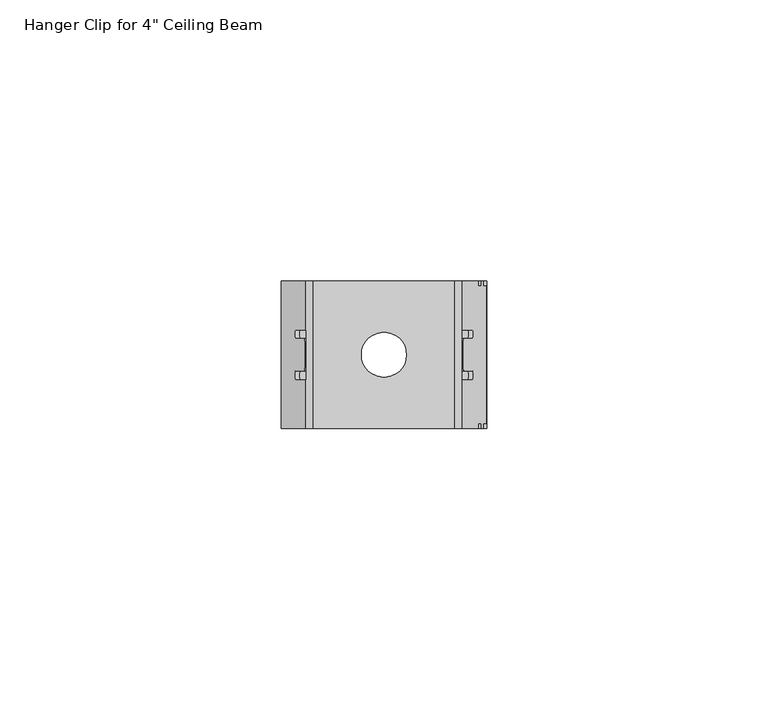
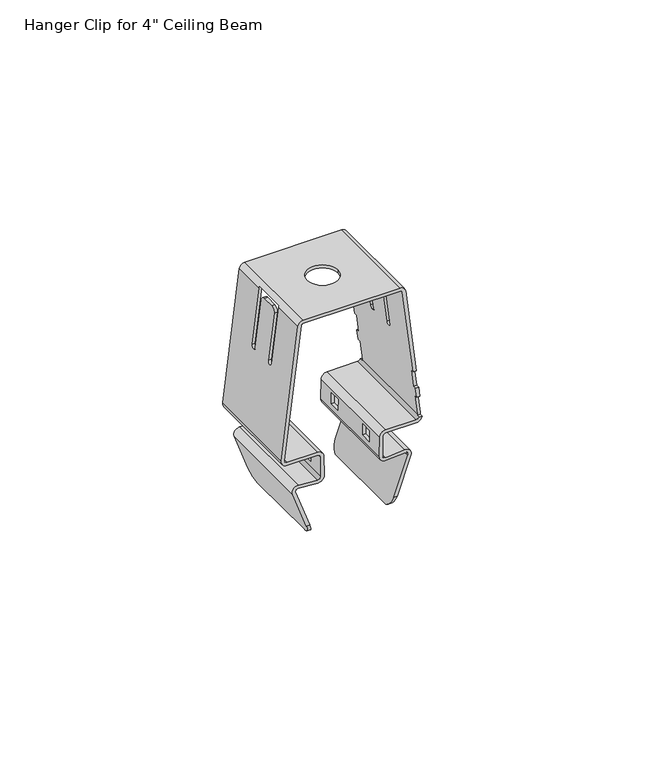
"""IFC4 building model written with IfcOpenShell, lengths in millimetres: proxy geometry."""

from ifc_helpers import new_model, si_unit, frame, origin, place, context, project, spatial, polyline, circle_curve, ellipse_curve, source, transform, mapped, element, save
from ifc_brep_helpers import plane_surface, cylinder_surface, revolved_surface, advanced_brep


def proxy_e91fa21d(model_context):
    return source(origin(), model_context, "Body", "AdvancedBrep", [
        advanced_brep(
        [(28.4451199, -13.145, 91.8422702), (26.9049962, -13.145, 93.883675), (21.8938975, -13.145, 93.5275562), (21.0779975, -13.145, 94.300938), (21.1703061, -13.145, 99.5892987), (21.9321901, -13.145, 100.338), (29.8768681, -13.145, 100.338), (31.3781782, -13.145, 101.6), (30.5410608, -13.145, 101.6), (29.8768681, -13.145, 101.148), (21.9321901, -13.145, 101.148), (20.3604295, -13.145, 99.6034352), (20.2681208, -13.145, 94.3150744), (21.9513162, -13.145, 92.7195939), (26.9624149, -13.145, 93.0757127), (27.6839689, -13.145, 92.1193065), (23.9835423, -13.145, 81.952468), (24.8455263, -13.145, 81.952468), (27.044677, -13.145, 137.4335409), (25.6580901, -13.145, 138.6602895), (0.5419099, -13.145, 138.6602895), (-0.844677, -13.145, 137.4335409), (-5.1895084, -13.145, 102.0477289), (-3.6768681, -13.145, 100.338), (4.2678099, -13.145, 100.338), (5.0296939, -13.145, 99.5892987), (5.1220025, -13.145, 94.300938), (4.3061025, -13.145, 93.5275562), (-0.7049962, -13.145, 93.883675), (-2.2451199, -13.145, 91.8422702), (1.3544737, -13.145, 81.952468), (2.2164577, -13.145, 81.952468), (-1.4839689, -13.145, 92.1193065), (-0.7624149, -13.145, 93.0757127), (4.2486838, -13.145, 92.7195939), (5.9318792, -13.145, 94.3150744), (5.8395705, -13.145, 99.6034352), (4.2678099, -13.145, 101.148), (-3.6768681, -13.145, 101.148), (-4.3855461, -13.145, 101.9490147), (-0.0407147, -13.145, 137.3348268), (0.5419099, -13.145, 137.8502895), (25.6580901, -13.145, 137.8502895), (26.2407147, -13.145, 137.3348268), (29.0322004, -13.145, 114.6), (29.8482833, -13.145, 114.6), (30.7522127, -13.145, 107.2380864), (30.4299883, -13.145, 109.8623931), (29.6139054, -13.145, 109.8623931), (29.9361297, -13.145, 107.2380864), (27.6839689, 13.145, 92.1193065), (26.9624149, 13.145, 93.0757127), (21.9513162, 13.145, 92.7195939), (20.2681208, 13.145, 94.3150744), (20.3604295, 13.145, 99.6034352), (21.9321901, 13.145, 101.148), (29.8768681, 13.145, 101.148), (30.5410608, 13.145, 101.6), (31.3781782, 13.145, 101.6), (29.8768681, 13.145, 100.338), (21.9321901, 13.145, 100.338), (21.1703061, 13.145, 99.5892987), (21.0779975, 13.145, 94.300938), (21.8938975, 13.145, 93.5275562), (26.9049962, 13.145, 93.883675), (28.4451199, 13.145, 91.8422702), (24.8455263, 13.145, 81.952468), (23.9835423, 13.145, 81.952468), (26.2407147, 13.145, 137.3348268), (25.6580901, 13.145, 137.8502895), (0.5419099, 13.145, 137.8502895), (-0.0407147, 13.145, 137.3348268), (-4.3855461, 13.145, 101.9490147), (-3.6768681, 13.145, 101.148), (4.2678099, 13.145, 101.148), (5.8395705, 13.145, 99.6034352), (5.9318792, 13.145, 94.3150744), (4.2486838, 13.145, 92.7195939), (-0.7624149, 13.145, 93.0757127), (-1.4839689, 13.145, 92.1193065), (2.2164577, 13.145, 81.952468), (1.3544737, 13.145, 81.952468), (-2.2451199, 13.145, 91.8422702), (-0.7049962, 13.145, 93.883675), (4.3061025, 13.145, 93.5275562), (5.1220025, 13.145, 94.300938), (5.0296939, 13.145, 99.5892987), (4.2678099, 13.145, 100.338), (-3.6768681, 13.145, 100.338), (-5.1895084, 13.145, 102.0477289), (-0.844677, 13.145, 137.4335409), (0.5419099, 13.145, 138.6602895), (25.6580901, 13.145, 138.6602895), (27.044677, 13.145, 137.4335409), (29.8482833, 13.145, 114.6), (29.0322004, 13.145, 114.6), (29.9361297, 13.145, 107.2380864), (29.6139054, 13.145, 109.8623931), (30.4299883, 13.145, 109.8623931), (30.7522127, 13.145, 107.2380864), (21.1021925, 5.5649765, 95.6870692), (21.1545577, 5.5649765, 98.6870692), (21.1545577, 8.5649765, 98.6870692), (21.1021925, 8.5649765, 95.6870692), (21.1545577, -8.5649765, 98.6870692), (21.1545577, -5.5649765, 98.6870692), (21.1021925, -5.5649765, 95.6870692), (21.1021925, -8.5649765, 95.6870692), (31.3781782, 12.245, 101.6), (31.3895084, 12.245, 102.0477289), (31.3895084, -12.245, 102.0477289), (31.3781782, -12.245, 101.6), (27.044677, 4.445, 137.4335409), (28.8693791, 4.445, 122.5725352), (28.8693791, 2.921, 122.5725352), (27.3478871, 2.921, 134.9640928), (27.1987644, 1.651, 136.1785999), (27.1987644, -1.651, 136.1785999), (27.3478871, -2.921, 134.9640928), (28.8683122, -2.921, 122.5812245), (28.8693791, -4.445, 122.5725352), (27.044677, -4.445, 137.4335409), (29.8482833, -12.245, 114.6), (30.4299883, -12.245, 109.8623931), (30.7522127, -12.245, 107.2380864), (30.7522127, 12.245, 107.2380864), (30.4299883, 12.245, 109.8623931), (29.8482833, 12.245, 114.6), (26.9257809, -4.445, 137.8502895), (26.9257809, 4.445, 137.8502895), (9.1, 0.0, 138.6602895), (17.1, 0.0, 138.6602895), (-0.844677, 4.445, 137.4335409), (-0.7257809, 4.445, 137.8502895), (-0.7257809, -4.445, 137.8502895), (-0.844677, -4.445, 137.4335409), (-2.6693791, -4.445, 122.5725352), (-2.6683122, -2.921, 122.5812245), (-1.1478871, -2.921, 134.9640928), (-0.9987644, -1.651, 136.1785999), (-0.9987644, 1.651, 136.1785999), (-1.1478871, 2.921, 134.9640928), (-2.6693791, 2.921, 122.5725352), (-2.6693791, 4.445, 122.5725352), (5.0454423, 5.5649765, 98.6870692), (5.0978075, 5.5649765, 95.6870692), (5.0978075, 8.5649765, 95.6870692), (5.0454423, 8.5649765, 98.6870692), (5.0454423, -5.5649765, 98.6870692), (5.0454423, -8.5649765, 98.6870692), (5.0978075, -8.5649765, 95.6870692), (5.0978075, -5.5649765, 95.6870692), (2.4466015, 10.1552022, 78.9518714), (2.4466015, -10.1552022, 78.9518714), (3.2077526, 11.3428624, 79.2289077), (3.2077526, -11.3428624, 79.2289077), (5.9079309, 5.5649765, 95.6870692), (5.8555657, 5.5649765, 98.6870692), (5.8555657, 8.5649765, 98.6870692), (5.9079309, 8.5649765, 95.6870692), (5.8555657, -8.5649765, 98.6870692), (5.8555657, -5.5649765, 98.6870692), (5.9079309, -5.5649765, 95.6870692), (5.9079309, -8.5649765, 95.6870692), (-0.0407147, 4.445, 137.3348268), (-1.8532962, 4.445, 122.5725352), (-1.8532962, 2.921, 122.5725352), (-0.3318042, 2.921, 134.9640928), (-0.1826815, 1.651, 136.1785999), (-0.1826815, -1.651, 136.1785999), (-0.3318042, -2.921, 134.9640928), (-1.8522292, -2.921, 122.5812245), (-1.8532962, -4.445, 122.5725352), (-0.0407147, -4.445, 137.3348268), (0.5419099, -4.445, 137.8502895), (0.5419099, 4.445, 137.8502895), (25.6580901, 4.445, 137.8502895), (25.6580901, -4.445, 137.8502895), (17.1, 0.0, 137.8502895), (9.1, 0.0, 137.8502895), (26.2407147, -4.445, 137.3348268), (26.2407147, 4.445, 137.3348268), (29.0322004, 12.245, 114.6), (29.6139054, 12.245, 109.8623931), (29.9361297, 12.245, 107.2380864), (30.5855461, 12.245, 101.9490147), (30.5855461, -12.245, 101.9490147), (29.9361297, -12.245, 107.2380864), (29.6139054, -12.245, 109.8623931), (29.0322004, -12.245, 114.6), (28.0532962, -4.445, 122.5725352), (28.0522292, -2.921, 122.5812245), (26.5318042, -2.921, 134.9640928), (26.3826815, -1.651, 136.1785999), (26.3826815, 1.651, 136.1785999), (26.5318042, 2.921, 134.9640928), (28.0532962, 2.921, 122.5725352), (28.0532962, 4.445, 122.5725352), (30.5410608, -12.245, 101.6), (30.5410608, 12.245, 101.6), (20.3444343, 5.5649765, 98.6870692), (20.2920691, 5.5649765, 95.6870692), (20.2920691, 8.5649765, 95.6870692), (20.3444343, 8.5649765, 98.6870692), (20.3444343, -5.5649765, 98.6870692), (20.3444343, -8.5649765, 98.6870692), (20.2920691, -8.5649765, 95.6870692), (20.2920691, -5.5649765, 95.6870692), (22.9922474, 11.3428624, 79.2289077), (22.9922474, -11.3428624, 79.2289077), (23.7533985, 10.1552022, 78.9518714), (23.7533985, -10.1552022, 78.9518714)],
        [
            (0, 1, circle_curve(frame((27.0130284, -13.145, 92.3635089), z_axis=(0.0, -1.0, 0.0), x_axis=(-1.0, 0.0, 0.0)), 1.524)),
            (1, 2),
            (2, 3, circle_curve(frame((21.8398814, -13.145, 94.2876392), z_axis=(0.0, 1.0, 0.0), x_axis=(-1.0, 0.0, 0.0)), 0.762)),
            (3, 4),
            (4, 5, circle_curve(frame((21.9321901, -13.145, 99.576), z_axis=(0.0, 1.0, 0.0), x_axis=(-1.0, 0.0, 0.0)), 0.762)),
            (5, 6),
            (6, 7, circle_curve(frame((29.8768681, -13.145, 101.862), z_axis=(0.0, -1.0, 0.0), x_axis=(-1.0, 0.0, 0.0)), 1.524)),
            (7, 8),
            (8, 9, circle_curve(frame((29.8768681, -13.145, 101.862), z_axis=(0.0, 1.0, 0.0), x_axis=(-1.0, 0.0, 0.0)), 0.714)),
            (9, 10),
            (10, 11, circle_curve(frame((21.9321901, -13.145, 99.576), z_axis=(0.0, -1.0, 0.0), x_axis=(-1.0, 0.0, 0.0)), 1.572)),
            (11, 12),
            (12, 13, circle_curve(frame((21.8398814, -13.145, 94.2876392), z_axis=(0.0, -1.0, 0.0), x_axis=(-1.0, 0.0, 0.0)), 1.572)),
            (13, 14),
            (14, 15, circle_curve(frame((27.0130284, -13.145, 92.3635089), z_axis=(0.0, 1.0, 0.0), x_axis=(-1.0, 0.0, 0.0)), 0.714)),
            (15, 16),
            (16, 17),
            (17, 0),
            (18, 19, circle_curve(frame((25.6580901, -13.145, 137.2632895), z_axis=(0.0, -1.0, 0.0), x_axis=(-1.0, 0.0, 0.0)), 1.397)),
            (19, 20),
            (20, 21, circle_curve(frame((0.5419099, -13.145, 137.2632895), z_axis=(0.0, -1.0, 0.0), x_axis=(-1.0, 0.0, 0.0)), 1.397)),
            (21, 22),
            (22, 23, circle_curve(frame((-3.6768681, -13.145, 101.862), z_axis=(0.0, -1.0, 0.0), x_axis=(-1.0, 0.0, 0.0)), 1.524)),
            (23, 24),
            (24, 25, circle_curve(frame((4.2678099, -13.145, 99.576), z_axis=(0.0, 1.0, 0.0), x_axis=(-1.0, 0.0, 0.0)), 0.762)),
            (25, 26),
            (26, 27, circle_curve(frame((4.3601186, -13.145, 94.2876392), z_axis=(0.0, 1.0, 0.0), x_axis=(-1.0, 0.0, 0.0)), 0.762)),
            (27, 28),
            (28, 29, circle_curve(frame((-0.8130284, -13.145, 92.3635089), z_axis=(0.0, -1.0, 0.0), x_axis=(-1.0, 0.0, 0.0)), 1.524)),
            (29, 30),
            (30, 31),
            (31, 32),
            (32, 33, circle_curve(frame((-0.8130284, -13.145, 92.3635089), z_axis=(0.0, 1.0, 0.0), x_axis=(-1.0, 0.0, 0.0)), 0.714)),
            (33, 34),
            (34, 35, circle_curve(frame((4.3601186, -13.145, 94.2876392), z_axis=(0.0, -1.0, 0.0), x_axis=(-1.0, 0.0, 0.0)), 1.572)),
            (35, 36),
            (36, 37, circle_curve(frame((4.2678099, -13.145, 99.576), z_axis=(0.0, -1.0, 0.0), x_axis=(-1.0, 0.0, 0.0)), 1.572)),
            (37, 38),
            (38, 39, circle_curve(frame((-3.6768681, -13.145, 101.862), z_axis=(0.0, 1.0, 0.0), x_axis=(-1.0, 0.0, 0.0)), 0.714)),
            (39, 40),
            (40, 41, circle_curve(frame((0.5419099, -13.145, 137.2632895), z_axis=(0.0, 1.0, 0.0), x_axis=(-1.0, 0.0, 0.0)), 0.587)),
            (41, 42),
            (42, 43, circle_curve(frame((25.6580901, -13.145, 137.2632895), z_axis=(0.0, 1.0, 0.0), x_axis=(-1.0, 0.0, 0.0)), 0.587)),
            (43, 44),
            (44, 45),
            (45, 18),
            (46, 47),
            (47, 48),
            (48, 49),
            (49, 46),
            (50, 51, circle_curve(frame((27.0130284, 13.145, 92.3635089), z_axis=(0.0, -1.0, 0.0), x_axis=(-1.0, 0.0, 0.0)), 0.714)),
            (51, 52),
            (52, 53, circle_curve(frame((21.8398814, 13.145, 94.2876392), z_axis=(0.0, 1.0, 0.0), x_axis=(-1.0, 0.0, 0.0)), 1.572)),
            (53, 54),
            (54, 55, circle_curve(frame((21.9321901, 13.145, 99.576), z_axis=(0.0, 1.0, 0.0), x_axis=(-1.0, 0.0, 0.0)), 1.572)),
            (55, 56),
            (56, 57, circle_curve(frame((29.8768681, 13.145, 101.862), z_axis=(0.0, -1.0, 0.0), x_axis=(-1.0, 0.0, 0.0)), 0.714)),
            (57, 58),
            (58, 59, circle_curve(frame((29.8768681, 13.145, 101.862), z_axis=(0.0, 1.0, 0.0), x_axis=(-1.0, 0.0, 0.0)), 1.524)),
            (59, 60),
            (60, 61, circle_curve(frame((21.9321901, 13.145, 99.576), z_axis=(0.0, -1.0, 0.0), x_axis=(-1.0, 0.0, 0.0)), 0.762)),
            (61, 62),
            (62, 63, circle_curve(frame((21.8398814, 13.145, 94.2876392), z_axis=(0.0, -1.0, 0.0), x_axis=(-1.0, 0.0, 0.0)), 0.762)),
            (63, 64),
            (64, 65, circle_curve(frame((27.0130284, 13.145, 92.3635089), z_axis=(0.0, 1.0, 0.0), x_axis=(-1.0, 0.0, 0.0)), 1.524)),
            (65, 66),
            (66, 67),
            (67, 50),
            (68, 69, circle_curve(frame((25.6580901, 13.145, 137.2632895), z_axis=(0.0, -1.0, 0.0), x_axis=(-1.0, 0.0, 0.0)), 0.587)),
            (69, 70),
            (70, 71, circle_curve(frame((0.5419099, 13.145, 137.2632895), z_axis=(0.0, -1.0, 0.0), x_axis=(-1.0, 0.0, 0.0)), 0.587)),
            (71, 72),
            (72, 73, circle_curve(frame((-3.6768681, 13.145, 101.862), z_axis=(0.0, -1.0, 0.0), x_axis=(-1.0, 0.0, 0.0)), 0.714)),
            (73, 74),
            (74, 75, circle_curve(frame((4.2678099, 13.145, 99.576), z_axis=(0.0, 1.0, 0.0), x_axis=(-1.0, 0.0, 0.0)), 1.572)),
            (75, 76),
            (76, 77, circle_curve(frame((4.3601186, 13.145, 94.2876392), z_axis=(0.0, 1.0, 0.0), x_axis=(-1.0, 0.0, 0.0)), 1.572)),
            (77, 78),
            (78, 79, circle_curve(frame((-0.8130284, 13.145, 92.3635089), z_axis=(0.0, -1.0, 0.0), x_axis=(-1.0, 0.0, 0.0)), 0.714)),
            (79, 80),
            (80, 81),
            (81, 82),
            (82, 83, circle_curve(frame((-0.8130284, 13.145, 92.3635089), z_axis=(0.0, 1.0, 0.0), x_axis=(-1.0, 0.0, 0.0)), 1.524)),
            (83, 84),
            (84, 85, circle_curve(frame((4.3601186, 13.145, 94.2876392), z_axis=(0.0, -1.0, 0.0), x_axis=(-1.0, 0.0, 0.0)), 0.762)),
            (85, 86),
            (86, 87, circle_curve(frame((4.2678099, 13.145, 99.576), z_axis=(0.0, -1.0, 0.0), x_axis=(-1.0, 0.0, 0.0)), 0.762)),
            (87, 88),
            (88, 89, circle_curve(frame((-3.6768681, 13.145, 101.862), z_axis=(0.0, 1.0, 0.0), x_axis=(-1.0, 0.0, 0.0)), 1.524)),
            (89, 90),
            (90, 91, circle_curve(frame((0.5419099, 13.145, 137.2632895), z_axis=(0.0, 1.0, 0.0), x_axis=(-1.0, 0.0, 0.0)), 1.397)),
            (91, 92),
            (92, 93, circle_curve(frame((25.6580901, 13.145, 137.2632895), z_axis=(0.0, 1.0, 0.0), x_axis=(-1.0, 0.0, 0.0)), 1.397)),
            (93, 94),
            (94, 95),
            (95, 68),
            (96, 97),
            (97, 98),
            (98, 99),
            (99, 96),
            (0, 65),
            (64, 1),
            (63, 2),
            (62, 3),
            (61, 4),
            (100, 101),
            (101, 102),
            (102, 103),
            (103, 100),
            (104, 105),
            (105, 106),
            (106, 107),
            (107, 104),
            (60, 5),
            (59, 6),
            (58, 108),
            (108, 109, circle_curve(frame((29.8768681, 12.245, 101.862), z_axis=(0.0, -1.0, 0.0), x_axis=(-1.0, 0.0, 0.0)), 1.524)),
            (109, 110),
            (110, 111, circle_curve(frame((29.8768681, -12.245, 101.862), z_axis=(0.0, 1.0, 0.0), x_axis=(-1.0, 0.0, 0.0)), 1.524)),
            (111, 7),
            (93, 112),
            (112, 113),
            (113, 114, ellipse_curve(frame((28.8688456, 3.683, 122.5768799), z_axis=(-0.9925461516413255, 0.0, -0.1218693434051193), x_axis=(0.12186934340511875, 0.0, -0.9925461516413258)), 0.767735, 0.7620124)),
            (114, 115),
            (115, 116, ellipse_curve(frame((27.3513718, 1.6781403, 134.9357125), z_axis=(0.9925461516413255, 0.0, 0.1218693434051193), x_axis=(-0.12186934340511875, 0.0, 0.9925461516413258)), 1.2525198, 1.2431837)),
            (116, 117),
            (117, 118, ellipse_curve(frame((27.3513718, -1.6781403, 134.9357125), z_axis=(0.9925461516413255, 0.0, 0.1218693434051193), x_axis=(-0.12186934340511875, 0.0, 0.9925461516413258)), 1.2525198, 1.2431837)),
            (118, 119),
            (119, 120, ellipse_curve(frame((28.8688456, -3.683, 122.5768799), z_axis=(-0.9925461516413255, 0.0, -0.1218693434051193), x_axis=(0.12186934340511875, 0.0, -0.9925461516413258)), 0.767735, 0.7620124)),
            (120, 121),
            (121, 18),
            (45, 122),
            (122, 123),
            (123, 47),
            (46, 124),
            (124, 110),
            (109, 125),
            (125, 99),
            (98, 126),
            (126, 127),
            (127, 94),
            (121, 128, circle_curve(frame((25.6580901, -4.445, 137.2632895), z_axis=(0.0, -1.0, 0.0), x_axis=(-1.0, 0.0, 0.0)), 1.397)),
            (128, 129),
            (129, 112, circle_curve(frame((25.6580901, 4.445, 137.2632895), z_axis=(0.0, 1.0, 0.0), x_axis=(-1.0, 0.0, 0.0)), 1.397)),
            (92, 19),
            (91, 20),
            (130, 131, circle_curve(frame((13.1, 0.0, 138.6602895), z_axis=(0.0, 0.0, -1.0), x_axis=(1.0, 0.0, 0.0)), 4.0)),
            (131, 130, circle_curve(frame((13.1, 0.0, 138.6602895), z_axis=(0.0, 0.0, -1.0), x_axis=(1.0, 0.0, 0.0)), 4.0)),
            (90, 132),
            (132, 133, circle_curve(frame((0.5419099, 4.445, 137.2632895), z_axis=(0.0, 1.0, 0.0), x_axis=(-1.0, 0.0, 0.0)), 1.397)),
            (133, 134),
            (134, 135, circle_curve(frame((0.5419099, -4.445, 137.2632895), z_axis=(0.0, -1.0, 0.0), x_axis=(-1.0, 0.0, 0.0)), 1.397)),
            (135, 21),
            (135, 136),
            (136, 137, ellipse_curve(frame((-2.6688456, -3.683, 122.5768799), z_axis=(0.9925461516413226, 0.0, -0.12186934340514273), x_axis=(0.12186934340514266, 0.0, 0.9925461516413225)), 0.767735, 0.7620124)),
            (137, 138),
            (138, 139, ellipse_curve(frame((-1.1513718, -1.6781403, 134.9357125), z_axis=(-0.9925461516413226, 0.0, 0.12186934340514273), x_axis=(-0.12186934340514266, 0.0, -0.9925461516413225)), 1.2525198, 1.2431837)),
            (139, 140),
            (140, 141, ellipse_curve(frame((-1.1513718, 1.6781403, 134.9357125), z_axis=(-0.9925461516413226, 0.0, 0.12186934340514273), x_axis=(-0.12186934340514266, 0.0, -0.9925461516413225)), 1.2525198, 1.2431837)),
            (141, 142),
            (142, 143, ellipse_curve(frame((-2.6688456, 3.683, 122.5768799), z_axis=(0.9925461516413226, 0.0, -0.12186934340514273), x_axis=(0.12186934340514266, 0.0, 0.9925461516413225)), 0.767735, 0.7620124)),
            (143, 132),
            (89, 22),
            (88, 23),
            (87, 24),
            (86, 25),
            (85, 26),
            (144, 145),
            (145, 146),
            (146, 147),
            (147, 144),
            (148, 149),
            (149, 150),
            (150, 151),
            (151, 148),
            (84, 27),
            (83, 28),
            (82, 29),
            (81, 152, ellipse_curve(frame((1.3247236, 10.0623511, 82.0342056), z_axis=(-0.9396926207858912, 0.0, -0.3420201433257159), x_axis=(-0.3420201433257159, 0.0, 0.9396926207858911)), 3.2816394, 3.0837323)),
            (152, 153),
            (153, 30, ellipse_curve(frame((1.3247236, -10.0623511, 82.0342056), z_axis=(-0.9396926207858912, 0.0, -0.3420201433257159), x_axis=(-0.3420201433257159, 0.0, 0.9396926207858911)), 3.2816394, 3.0837323)),
            (152, 154, ellipse_curve(frame((10.915245, 10.0623511, 82.0342056), z_axis=(0.3420201433256964, 0.0, -0.9396926207858983), x_axis=(-0.9396926207858983, 0.0, -0.3420201433256964)), 9.0162302, 3.0837323)),
            (154, 155),
            (155, 153, ellipse_curve(frame((10.915245, -10.0623511, 82.0342056), z_axis=(0.3420201433256964, 0.0, -0.9396926207858983), x_axis=(-0.9396926207858983, 0.0, -0.3420201433256964)), 9.0162302, 3.0837323)),
            (79, 32),
            (31, 155, ellipse_curve(frame((2.1867076, -10.0623511, 82.0342056), z_axis=(0.9396926207858942, 0.0, 0.34202014332570757), x_axis=(-0.3420201433257077, 0.0, 0.9396926207858943)), 3.2816394, 3.0837323)),
            (154, 80, ellipse_curve(frame((2.1867076, 10.0623511, 82.0342056), z_axis=(0.9396926207858942, 0.0, 0.34202014332570757), x_axis=(-0.3420201433257077, 0.0, 0.9396926207858943)), 3.2816394, 3.0837323)),
            (78, 33),
            (77, 34),
            (76, 35),
            (75, 36),
            (156, 157),
            (157, 158),
            (158, 159),
            (159, 156),
            (160, 161),
            (161, 162),
            (162, 163),
            (163, 160),
            (74, 37),
            (73, 38),
            (72, 39),
            (71, 164),
            (164, 165),
            (165, 166, ellipse_curve(frame((-1.8527627, 3.683, 122.5768799), z_axis=(-0.9925461516413233, 0.0, 0.12186934340513758), x_axis=(0.12186934340513687, 0.0, 0.9925461516413233)), 0.767735, 0.7620124)),
            (166, 167),
            (167, 168, ellipse_curve(frame((-0.3352889, 1.6781403, 134.9357125), z_axis=(0.9925461516413233, 0.0, -0.12186934340513758), x_axis=(-0.12186934340513687, 0.0, -0.9925461516413233)), 1.2525198, 1.2431837)),
            (168, 169),
            (169, 170, ellipse_curve(frame((-0.3352889, -1.6781403, 134.9357125), z_axis=(0.9925461516413233, 0.0, -0.12186934340513758), x_axis=(-0.12186934340513687, 0.0, -0.9925461516413233)), 1.2525198, 1.2431837)),
            (170, 171),
            (171, 172, ellipse_curve(frame((-1.8527627, -3.683, 122.5768799), z_axis=(-0.9925461516413233, 0.0, 0.12186934340513758), x_axis=(0.12186934340513687, 0.0, 0.9925461516413233)), 0.767735, 0.7620124)),
            (172, 173),
            (173, 40),
            (173, 174, circle_curve(frame((0.5419099, -4.445, 137.2632895), z_axis=(0.0, 1.0, 0.0), x_axis=(-1.0, 0.0, 0.0)), 0.587)),
            (174, 41),
            (70, 175),
            (175, 164, circle_curve(frame((0.5419099, 4.445, 137.2632895), z_axis=(0.0, -1.0, 0.0), x_axis=(-1.0, 0.0, 0.0)), 0.587)),
            (174, 134),
            (133, 175),
            (69, 176),
            (176, 129),
            (128, 177),
            (177, 42),
            (178, 179, circle_curve(frame((13.1, 0.0, 137.8502895), z_axis=(0.0, 0.0, 1.0), x_axis=(1.0, 0.0, 0.0)), 4.0)),
            (179, 178, circle_curve(frame((13.1, 0.0, 137.8502895), z_axis=(0.0, 0.0, 1.0), x_axis=(1.0, 0.0, 0.0)), 4.0)),
            (177, 180, circle_curve(frame((25.6580901, -4.445, 137.2632895), z_axis=(0.0, 1.0, 0.0), x_axis=(-1.0, 0.0, 0.0)), 0.587)),
            (180, 43),
            (68, 181),
            (181, 176, circle_curve(frame((25.6580901, 4.445, 137.2632895), z_axis=(0.0, -1.0, 0.0), x_axis=(-1.0, 0.0, 0.0)), 0.587)),
            (95, 182),
            (182, 183),
            (183, 97),
            (96, 184),
            (184, 185),
            (185, 186),
            (186, 187),
            (187, 49),
            (48, 188),
            (188, 189),
            (189, 44),
            (180, 190),
            (190, 191, ellipse_curve(frame((28.0527627, -3.683, 122.5768799), z_axis=(0.9925461516413249, 0.0, 0.12186934340512441), x_axis=(0.12186934340512454, 0.0, -0.9925461516413248)), 0.767735, 0.7620124)),
            (191, 192),
            (192, 193, ellipse_curve(frame((26.5352889, -1.6781403, 134.9357125), z_axis=(-0.9925461516413249, 0.0, -0.12186934340512441), x_axis=(-0.12186934340512454, 0.0, 0.9925461516413248)), 1.2525198, 1.2431837)),
            (193, 194),
            (194, 195, ellipse_curve(frame((26.5352889, 1.6781403, 134.9357125), z_axis=(-0.9925461516413249, 0.0, -0.12186934340512441), x_axis=(-0.12186934340512454, 0.0, 0.9925461516413248)), 1.2525198, 1.2431837)),
            (195, 196),
            (196, 197, ellipse_curve(frame((28.0527627, 3.683, 122.5768799), z_axis=(0.9925461516413249, 0.0, 0.12186934340512441), x_axis=(0.12186934340512454, 0.0, -0.9925461516413248)), 0.767735, 0.7620124)),
            (197, 181),
            (56, 9),
            (8, 198),
            (198, 186, circle_curve(frame((29.8768681, -12.245, 101.862), z_axis=(0.0, -1.0, 0.0), x_axis=(-1.0, 0.0, 0.0)), 0.714)),
            (185, 199, circle_curve(frame((29.8768681, 12.245, 101.862), z_axis=(0.0, 1.0, 0.0), x_axis=(-1.0, 0.0, 0.0)), 0.714)),
            (199, 57),
            (55, 10),
            (54, 11),
            (53, 12),
            (200, 201),
            (201, 202),
            (202, 203),
            (203, 200),
            (204, 205),
            (205, 206),
            (206, 207),
            (207, 204),
            (52, 13),
            (51, 14),
            (50, 15),
            (67, 208, ellipse_curve(frame((24.0132924, 10.0623511, 82.0342056), z_axis=(-0.9396926207858846, 0.0, 0.34202014332573416), x_axis=(-0.3420201433257343, 0.0, -0.9396926207858846)), 3.2816394, 3.0837323)),
            (208, 209),
            (209, 16, ellipse_curve(frame((24.0132924, -10.0623511, 82.0342056), z_axis=(-0.9396926207858846, 0.0, 0.34202014332573416), x_axis=(-0.3420201433257343, 0.0, -0.9396926207858846)), 3.2816394, 3.0837323)),
            (208, 210, ellipse_curve(frame((15.284755, 10.0623511, 82.0342056), z_axis=(-0.3420201433257044, 0.0, -0.9396926207858954), x_axis=(-0.9396926207858953, 0.0, 0.3420201433257044)), 9.0162302, 3.0837323)),
            (210, 211),
            (211, 209, ellipse_curve(frame((15.284755, -10.0623511, 82.0342056), z_axis=(-0.3420201433257044, 0.0, -0.9396926207858954), x_axis=(-0.9396926207858953, 0.0, 0.3420201433257044)), 9.0162302, 3.0837323)),
            (17, 211, ellipse_curve(frame((24.8752764, -10.0623511, 82.0342056), z_axis=(0.9396926207858882, 0.0, -0.3420201433257242), x_axis=(-0.3420201433257241, 0.0, -0.9396926207858882)), 3.2816394, 3.0837323)),
            (210, 66, ellipse_curve(frame((24.8752764, 10.0623511, 82.0342056), z_axis=(0.9396926207858882, 0.0, -0.3420201433257242), x_axis=(-0.3420201433257241, 0.0, -0.9396926207858882)), 3.2816394, 3.0837323)),
            (143, 165),
            (197, 113),
            (172, 136),
            (120, 190),
            (119, 191),
            (171, 137),
            (170, 138),
            (118, 192),
            (169, 139),
            (117, 193),
            (168, 140),
            (116, 194),
            (167, 141),
            (115, 195),
            (166, 142),
            (114, 196),
            (130, 179),
            (178, 131),
            (144, 157),
            (156, 145),
            (200, 101),
            (100, 201),
            (159, 146),
            (103, 202),
            (158, 147),
            (102, 203),
            (148, 161),
            (160, 149),
            (204, 105),
            (104, 205),
            (163, 150),
            (107, 206),
            (162, 151),
            (106, 207),
            (182, 127),
            (126, 183),
            (199, 108),
            (125, 184),
            (189, 122),
            (111, 198),
            (124, 187),
            (123, 188),
        ],
        [
            plane_surface(frame((25.4890284, -13.145, 92.3635089), z_axis=(0.0, -1.0, 0.0), x_axis=(0.0, 0.0, -1.0))),
            plane_surface(frame((25.4890284, 13.145, 92.3635089), z_axis=(0.0, 1.0, 0.0), x_axis=(0.0, 0.0, 1.0))),
            cylinder_surface(frame((27.0130284, 13.145, 92.3635089), z_axis=(0.0, -1.0, 0.0), x_axis=(-1.0, 0.0, 0.0)), 1.524),
            plane_surface(frame((26.9049962, -13.145, 93.883675), z_axis=(-0.07088724967761863, 0.0, 0.9974843346304457), x_axis=(0.0, 1.0, 0.0))),
            revolved_surface(polyline([(21.0778814, 13.145, 94.2876392), (21.0778814, -13.145, 94.2876392)]), (21.8398814, 13.145, 94.2876392), (0.0, 1.0, 0.0)),
            plane_surface(frame((21.0779975, -13.145, 94.300938), z_axis=(0.9998476951563916, 0.0, -0.017452406437269783), x_axis=(0.0, 1.0, 0.0))),
            revolved_surface(polyline([(21.1701901, 13.145, 99.576), (21.1701901, -13.145, 99.576)]), (21.9321901, 13.145, 99.576), (0.0, 1.0, 0.0)),
            plane_surface(frame((21.9321901, -13.145, 100.338), z_axis=(0.0, 0.0, -1.0), x_axis=(0.0, 1.0, 0.0))),
            cylinder_surface(frame((29.8768681, 13.145, 101.862), z_axis=(0.0, -1.0, 0.0), x_axis=(-1.0, 0.0, 0.0)), 1.524),
            plane_surface(frame((31.3895084, -13.145, 102.0477289), z_axis=(0.9925461516413255, 0.0, 0.1218693434051193), x_axis=(0.0, 1.0, 0.0))),
            cylinder_surface(frame((25.6580901, 13.145, 137.2632895), z_axis=(0.0, -1.0, 0.0), x_axis=(-1.0, 0.0, 0.0)), 1.397),
            plane_surface(frame((25.6580901, -13.145, 138.6602895), z_axis=(0.0, 0.0, 1.0), x_axis=(0.0, 1.0, 0.0))),
            cylinder_surface(frame((0.5419099, 13.145, 137.2632895), z_axis=(0.0, -1.0, 0.0), x_axis=(-1.0, 0.0, 0.0)), 1.397),
            plane_surface(frame((-0.844677, -13.145, 137.4335409), z_axis=(-0.9925461516413226, 0.0, 0.12186934340514273), x_axis=(0.0, 1.0, 0.0))),
            cylinder_surface(frame((-3.6768681, 13.145, 101.862), z_axis=(0.0, -1.0, 0.0), x_axis=(-1.0, 0.0, 0.0)), 1.524),
            plane_surface(frame((-3.6768681, -13.145, 100.338), z_axis=(0.0, 0.0, -1.0), x_axis=(0.0, 1.0, 0.0))),
            revolved_surface(polyline([(3.5058098999999996, 13.145, 99.576), (3.5058098999999996, -13.145, 99.576)]), (4.2678099, 13.145, 99.576), (0.0, 1.0, 0.0)),
            plane_surface(frame((5.0296939, -13.145, 99.5892987), z_axis=(-0.9998476951563917, 0.0, -0.01745240643725819), x_axis=(0.0, 1.0, 0.0))),
            revolved_surface(polyline([(3.5981186, 13.145, 94.2876392), (3.5981186, -13.145, 94.2876392)]), (4.3601186, 13.145, 94.2876392), (0.0, 1.0, 0.0)),
            plane_surface(frame((4.3061025, -13.145, 93.5275562), z_axis=(0.07088724967754818, 0.0, 0.9974843346304507), x_axis=(0.0, 1.0, 0.0))),
            cylinder_surface(frame((-0.8130284, 13.145, 92.3635089), z_axis=(0.0, -1.0, 0.0), x_axis=(-1.0, 0.0, 0.0)), 1.524),
            plane_surface(frame((-2.2451199, -13.145, 91.8422702), z_axis=(-0.9396926207858912, 0.0, -0.3420201433257159), x_axis=(0.0, 1.0, 0.0))),
            plane_surface(frame((2.4466015, -13.145, 78.9518714), z_axis=(0.3420201433256964, 0.0, -0.9396926207858983), x_axis=(0.0, 1.0, 0.0))),
            plane_surface(frame((3.2077526, -13.145, 79.2289077), z_axis=(0.9396926207858942, 0.0, 0.34202014332570757), x_axis=(0.0, 1.0, 0.0))),
            revolved_surface(polyline([(-1.5270283999999998, 13.145, 92.3635089), (-1.5270283999999998, -13.145, 92.3635089)]), (-0.8130284, 13.145, 92.3635089), (0.0, 1.0, 0.0)),
            plane_surface(frame((-0.7624149, -13.145, 93.0757127), z_axis=(-0.07088724967764039, 0.0, -0.9974843346304442), x_axis=(0.0, 1.0, 0.0))),
            cylinder_surface(frame((4.3601186, 13.145, 94.2876392), z_axis=(0.0, -1.0, 0.0), x_axis=(-1.0, 0.0, 0.0)), 1.572),
            plane_surface(frame((5.9318792, -13.145, 94.3150744), z_axis=(0.9998476951563918, 0.0, 0.017452406437250167), x_axis=(0.0, 1.0, 0.0))),
            cylinder_surface(frame((4.2678099, 13.145, 99.576), z_axis=(0.0, -1.0, 0.0), x_axis=(-1.0, 0.0, 0.0)), 1.572),
            plane_surface(frame((4.2678099, -13.145, 101.148), z_axis=(0.0, 0.0, 1.0), x_axis=(0.0, 1.0, 0.0))),
            revolved_surface(polyline([(-4.3908681000000005, 13.145, 101.862), (-4.3908681000000005, -13.145, 101.862)]), (-3.6768681, 13.145, 101.862), (0.0, 1.0, 0.0)),
            plane_surface(frame((-4.3855461, -13.145, 101.9490147), z_axis=(0.9925461516413233, 0.0, -0.12186934340513758), x_axis=(0.0, 1.0, 0.0))),
            revolved_surface(polyline([(-0.04509009999999991, -4.445, 137.2632895), (-0.04509009999999991, -13.145, 137.2632895)]), (0.5419099, 13.145, 137.2632895), (0.0, 1.0, 0.0)),
            revolved_surface(polyline([(-0.04509009999999991, 13.145, 137.2632895), (-0.04509009999999991, 4.445, 137.2632895)]), (0.5419099, 13.145, 137.2632895), (0.0, 1.0, 0.0)),
            plane_surface(frame((0.5419099, -13.145, 137.8502895), z_axis=(0.0, 0.0, -1.0), x_axis=(0.0, 1.0, 0.0))),
            revolved_surface(polyline([(25.0710901, -4.445, 137.2632895), (25.0710901, -13.145, 137.2632895)]), (25.6580901, 13.145, 137.2632895), (0.0, 1.0, 0.0)),
            revolved_surface(polyline([(25.0710901, 13.145, 137.2632895), (25.0710901, 4.445, 137.2632895)]), (25.6580901, 13.145, 137.2632895), (0.0, 1.0, 0.0)),
            plane_surface(frame((26.2407147, -13.145, 137.3348268), z_axis=(-0.9925461516413249, 0.0, -0.12186934340512441), x_axis=(0.0, 1.0, 0.0))),
            revolved_surface(polyline([(29.1628681, 13.145, 101.862), (29.1628681, -13.145, 101.862)]), (29.8768681, 13.145, 101.862), (0.0, 1.0, 0.0)),
            plane_surface(frame((29.8768681, -13.145, 101.148), z_axis=(0.0, 0.0, 1.0), x_axis=(0.0, 1.0, 0.0))),
            cylinder_surface(frame((21.9321901, 13.145, 99.576), z_axis=(0.0, -1.0, 0.0), x_axis=(-1.0, 0.0, 0.0)), 1.572),
            plane_surface(frame((20.3604295, -13.145, 99.6034352), z_axis=(-0.9998476951563914, 0.0, 0.017452406437276982), x_axis=(0.0, 1.0, 0.0))),
            cylinder_surface(frame((21.8398814, 13.145, 94.2876392), z_axis=(0.0, -1.0, 0.0), x_axis=(-1.0, 0.0, 0.0)), 1.572),
            plane_surface(frame((21.9513162, -13.145, 92.7195939), z_axis=(0.07088724967752465, 0.0, -0.9974843346304525), x_axis=(0.0, 1.0, 0.0))),
            revolved_surface(polyline([(26.2990284, 13.145, 92.3635089), (26.2990284, -13.145, 92.3635089)]), (27.0130284, 13.145, 92.3635089), (0.0, 1.0, 0.0)),
            plane_surface(frame((27.6839689, -13.145, 92.1193065), z_axis=(-0.9396926207858846, 0.0, 0.34202014332573416), x_axis=(0.0, 1.0, 0.0))),
            plane_surface(frame((22.9922474, -13.145, 79.2289077), z_axis=(-0.3420201433257044, 0.0, -0.9396926207858954), x_axis=(0.0, 1.0, 0.0))),
            plane_surface(frame((23.7533985, -13.145, 78.9518714), z_axis=(0.9396926207858882, 0.0, -0.3420201433257242), x_axis=(0.0, 1.0, 0.0))),
            cylinder_surface(frame((-2.9, 10.0623511, 82.0342056), z_axis=(-1.0000000000000002, 0.0, 0.0), x_axis=(0.0, -0.030109977488840537, -0.9995465918383303)), 3.0837323),
            cylinder_surface(frame((13.1, -10.0623511, 82.0342056), z_axis=(-1.0, 0.0, 0.0), x_axis=(0.0, -0.9994865114664321, -0.03204236877419996)), 3.0837323),
            plane_surface(frame((29.1, 4.445, 122.5725352), z_axis=(0.0, -1.0, 0.0), x_axis=(-1.0, 0.0, 0.0))),
            plane_surface(frame((29.1, -4.445, 137.8502895), z_axis=(0.0, 1.0, 0.0), x_axis=(-1.0, 0.0, 0.0))),
            revolved_surface(polyline([(28.962408960359127, -2.9209999859225717, 122.58122458638216), (27.959199339640865, -2.9209999859225717, 122.58122458638216)]), (13.1, -3.683, 122.5768799), (1.0, 0.0, 0.0)),
            revolved_surface(polyline([(-1.7591993396408565, -2.9209999859225717, 122.58122458638216), (-2.7624089603591457, -2.9209999859225717, 122.58122458638216)]), (13.1, -3.683, 122.5768799), (1.0, 0.0, 0.0)),
            plane_surface(frame((29.1, -2.921, 122.5812245), z_axis=(0.0, -1.0, 0.0), x_axis=(-1.0, 0.0, 0.0))),
            cylinder_surface(frame((13.1, -1.6781403, 134.9357125), z_axis=(-1.0000000000000002, 0.0, 0.0), x_axis=(0.0, 0.02183127508327109, 0.9997616693133613)), 1.2431837),
            plane_surface(frame((29.1, -1.651, 136.1785999), z_axis=(0.0, 0.0, 1.0), x_axis=(-1.0, 0.0, 0.0))),
            cylinder_surface(frame((13.1, 1.6781403, 134.9357125), z_axis=(-1.0, 0.0, 0.0), x_axis=(0.0, 0.9997393893428933, 0.02282878438066445)), 1.2431837),
            plane_surface(frame((29.1, 2.921, 134.9640928), z_axis=(0.0, 1.0, 0.0), x_axis=(-1.0, 0.0, 0.0))),
            revolved_surface(polyline([(-1.7591993396408565, 4.4450000140774275, 122.57253521361781), (-2.7624089603591457, 4.4450000140774275, 122.57253521361781)]), (13.1, 3.683, 122.5768799), (1.0, 0.0, 0.0)),
            revolved_surface(polyline([(28.962408960359127, 4.4450000140774275, 122.57253521361781), (27.959199339640865, 4.4450000140774275, 122.57253521361781)]), (13.1, 3.683, 122.5768799), (1.0, 0.0, 0.0)),
            revolved_surface(polyline([(17.1, 0.0, 137.8502895), (17.1, 0.0, 138.6602895)]), (13.1, 0.0, 143.6602895), (0.0, 0.0, -1.0)),
            plane_surface(frame((22.1, 5.5649765, 98.6870692), z_axis=(0.0, 1.0, 0.0), x_axis=(-1.0, 0.0, 0.0))),
            plane_surface(frame((22.1, 5.5649765, 95.6870692), z_axis=(0.0, 0.0, 1.0), x_axis=(-1.0, 0.0, 0.0))),
            plane_surface(frame((22.1, 8.5649765, 95.6870692), z_axis=(0.0, -1.0, 0.0), x_axis=(-1.0, 0.0, 0.0))),
            plane_surface(frame((22.1, 8.5649765, 98.6870692), z_axis=(0.0, 0.0, -1.0), x_axis=(-1.0, 0.0, 0.0))),
            plane_surface(frame((22.1, -5.5649765, 98.6870692), z_axis=(0.0, 0.0, -1.0), x_axis=(-1.0, 0.0, 0.0))),
            plane_surface(frame((22.1, -8.5649765, 98.6870692), z_axis=(0.0, 1.0, 0.0), x_axis=(-1.0, 0.0, 0.0))),
            plane_surface(frame((22.1, -8.5649765, 95.6870692), z_axis=(0.0, 0.0, 1.0), x_axis=(-1.0, 0.0, 0.0))),
            plane_surface(frame((22.1, -5.5649765, 95.6870692), z_axis=(0.0, -1.0, 0.0), x_axis=(-1.0, 0.0, 0.0))),
            plane_surface(frame((32.1, 12.245, 114.6), z_axis=(0.0, 1.0, 0.0), x_axis=(-1.0, 0.0, 0.0))),
            plane_surface(frame((32.1, 12.245, 101.6), z_axis=(0.0, 0.0, 1.0), x_axis=(-1.0, 0.0, 0.0))),
            plane_surface(frame((32.1, 14.657876, 114.6), z_axis=(0.0, 0.0, -1.0), x_axis=(-1.0, 0.0, 0.0))),
            plane_surface(frame((32.1, 12.245, 109.8623931), z_axis=(0.0, 0.0, 1.0), x_axis=(-1.0, 0.0, 0.0))),
            plane_surface(frame((32.1, 13.145, 107.2380864), z_axis=(0.0, 0.0, -1.0), x_axis=(-1.0, 0.0, 0.0))),
            plane_surface(frame((32.1, 12.245, 107.2380864), z_axis=(0.0, 1.0, 0.0), x_axis=(-1.0, 0.0, 0.0))),
            plane_surface(frame((32.1, -12.245, 114.6), z_axis=(0.0, 0.0, -1.0), x_axis=(-1.0, 0.0, 0.0))),
            plane_surface(frame((32.1, -14.657876, 101.6), z_axis=(0.0, 0.0, 1.0), x_axis=(-1.0, 0.0, 0.0))),
            plane_surface(frame((32.1, -12.245, 101.6), z_axis=(0.0, -1.0, 0.0), x_axis=(-1.0, 0.0, 0.0))),
            plane_surface(frame((32.1, -12.245, 107.2380864), z_axis=(0.0, 0.0, -1.0), x_axis=(-1.0, 0.0, 0.0))),
            plane_surface(frame((32.1, -13.145, 109.8623931), z_axis=(0.0, 0.0, 1.0), x_axis=(-1.0, 0.0, 0.0))),
            plane_surface(frame((32.1, -12.245, 109.8623931), z_axis=(0.0, -1.0, 0.0), x_axis=(-1.0, 0.0, 0.0))),
        ],
        [
            (0, [[1, 2, 3, 4, 5, 6, 7, 8, 9, 10, 11, 12, 13, 14, 15, 16, 17, 18]]),
            (0, [[19, 20, 21, 22, 23, 24, 25, 26, 27, 28, 29, 30, 31, 32, 33, 34, 35, 36, 37, 38, 39, 40, 41, 42, 43, 44, 45, 46]]),
            (0, [[47, 48, 49, 50]]),
            (1, [[51, 52, 53, 54, 55, 56, 57, 58, 59, 60, 61, 62, 63, 64, 65, 66, 67, 68]]),
            (1, [[69, 70, 71, 72, 73, 74, 75, 76, 77, 78, 79, 80, 81, 82, 83, 84, 85, 86, 87, 88, 89, 90, 91, 92, 93, 94, 95, 96]]),
            (1, [[97, 98, 99, 100]]),
            (2, [[-1, 101, -65, 102]]),
            (3, [[-2, -102, -64, 103]]),
            (4, [[-3, -103, -63, 104]]),
            (5, [[-4, -104, -62, 105], [106, 107, 108, 109], [110, 111, 112, 113]]),
            (6, [[-5, -105, -61, 114]]),
            (7, [[-6, -114, -60, 115]]),
            (8, [[-115, -59, 116, 117, 118, 119, 120, -7]]),
            (9, [[121, 122, 123, 124, 125, 126, 127, 128, 129, 130, 131, -46, 132, 133, 134, -47, 135, 136, -118, 137, 138, -99, 139, 140, 141, -94]]),
            (10, [[-19, -131, 142, 143, 144, -121, -93, 145]]),
            (11, [[-20, -145, -92, 146], [147, 148]]),
            (12, [[-21, -146, -91, 149, 150, 151, 152, 153]]),
            (13, [[-22, -153, 154, 155, 156, 157, 158, 159, 160, 161, 162, -149, -90, 163]]),
            (14, [[-23, -163, -89, 164]]),
            (15, [[-24, -164, -88, 165]]),
            (16, [[-25, -165, -87, 166]]),
            (17, [[-26, -166, -86, 167], [168, 169, 170, 171], [172, 173, 174, 175]]),
            (18, [[-27, -167, -85, 176]]),
            (19, [[-28, -176, -84, 177]]),
            (20, [[-29, -177, -83, 178]]),
            (21, [[-178, -82, 179, 180, 181, -30]]),
            (22, [[-180, 182, 183, 184]]),
            (23, [[185, -32, 186, -183, 187, -80]]),
            (24, [[-33, -185, -79, 188]]),
            (25, [[-34, -188, -78, 189]]),
            (26, [[-35, -189, -77, 190]]),
            (27, [[-36, -190, -76, 191], [192, 193, 194, 195], [196, 197, 198, 199]]),
            (28, [[-37, -191, -75, 200]]),
            (29, [[-38, -200, -74, 201]]),
            (30, [[-39, -201, -73, 202]]),
            (31, [[-40, -202, -72, 203, 204, 205, 206, 207, 208, 209, 210, 211, 212, 213]]),
            (32, [[-41, -213, 214, 215]]),
            (33, [[-71, 216, 217, -203]]),
            (34, [[-42, -215, 218, -151, 219, -216, -70, 220, 221, -143, 222, 223], [224, 225]]),
            (35, [[-43, -223, 226, 227]]),
            (36, [[-69, 228, 229, -220]]),
            (37, [[-228, -96, 230, 231, 232, -97, 233, 234, 235, 236, 237, -49, 238, 239, 240, -44, -227, 241, 242, 243, 244, 245, 246, 247, 248, 249]]),
            (38, [[250, -9, 251, 252, -235, 253, 254, -57]]),
            (39, [[-10, -250, -56, 255]]),
            (40, [[-11, -255, -55, 256]]),
            (41, [[-12, -256, -54, 257], [258, 259, 260, 261], [262, 263, 264, 265]]),
            (42, [[-13, -257, -53, 266]]),
            (43, [[-14, -266, -52, 267]]),
            (44, [[-15, -267, -51, 268]]),
            (45, [[-268, -68, 269, 270, 271, -16]]),
            (46, [[-270, 272, 273, 274]]),
            (47, [[-101, -18, 275, -273, 276, -66]]),
            (48, [[-67, -276, -272, -269]]),
            (48, [[-81, -187, -182, -179]]),
            (49, [[-17, -271, -274, -275]]),
            (49, [[-31, -181, -184, -186]]),
            (50, [[277, -204, -217, -219, -150, -162]]),
            (50, [[278, -122, -144, -221, -229, -249]]),
            (51, [[-218, -214, -212, 279, -154, -152]]),
            (51, [[-222, -142, -130, 280, -241, -226]]),
            (52, [[-280, -129, 281, -242]]),
            (53, [[-279, -211, 282, -155]]),
            (54, [[-282, -210, 283, -156]]),
            (54, [[-281, -128, 284, -243]]),
            (55, [[-283, -209, 285, -157]]),
            (55, [[-284, -127, 286, -244]]),
            (56, [[-285, -208, 287, -158]]),
            (56, [[-286, -126, 288, -245]]),
            (57, [[-287, -207, 289, -159]]),
            (57, [[-288, -125, 290, -246]]),
            (58, [[-289, -206, 291, -160]]),
            (58, [[-290, -124, 292, -247]]),
            (59, [[-277, -161, -291, -205]]),
            (60, [[-278, -248, -292, -123]]),
            (61, [[293, -224, 294, -147]]),
            (61, [[-293, -148, -294, -225]]),
            (62, [[295, -192, 296, -168]]),
            (62, [[297, -106, 298, -258]]),
            (63, [[-296, -195, 299, -169]]),
            (63, [[-298, -109, 300, -259]]),
            (64, [[-299, -194, 301, -170]]),
            (64, [[-300, -108, 302, -260]]),
            (65, [[-295, -171, -301, -193]]),
            (65, [[-297, -261, -302, -107]]),
            (66, [[303, -196, 304, -172]]),
            (66, [[305, -110, 306, -262]]),
            (67, [[-304, -199, 307, -173]]),
            (67, [[-306, -113, 308, -263]]),
            (68, [[-307, -198, 309, -174]]),
            (68, [[-308, -112, 310, -264]]),
            (69, [[-303, -175, -309, -197]]),
            (69, [[-305, -265, -310, -111]]),
            (70, [[311, -140, 312, -231]]),
            (71, [[313, -116, -58, -254]]),
            (72, [[-311, -230, -95, -141]]),
            (73, [[-312, -139, -98, -232]]),
            (74, [[314, -233, -100, -138]]),
            (75, [[-313, -253, -234, -314, -137, -117]]),
            (76, [[315, -132, -45, -240]]),
            (77, [[316, -251, -8, -120]]),
            (78, [[-316, -119, -136, 317, -236, -252]]),
            (79, [[-317, -135, -50, -237]]),
            (80, [[318, -238, -48, -134]]),
            (81, [[-315, -239, -318, -133]]),
        ],
    ),
    ])


if __name__ == "__main__":
    model = new_model("IFC4")
    model_context = context("Model", 3, world=origin())
    ifc_project = project(units=[si_unit("LENGTHUNIT", "METRE", prefix="MILLI")], contexts=[model_context])
    site = spatial("IfcSite", under=ifc_project)
    building = spatial("IfcBuilding", under=site)
    placement = place(None, origin())
    proxy_shape = proxy_e91fa21d(model_context)
    element("IfcBuildingElementProxy", 1, Name="Hanger Clip for 4\" Ceiling Beam", ObjectType="Hanger Clip for 4\" Ceiling Beam", at=placement, inside=building, context=model_context, shape_type="MappedRepresentation", body=[
        mapped(proxy_shape, transform((0.0, 0.0, 0.0), x_axis=(1.0, 0.0, 0.0), y_axis=(0.0, 1.0, 0.0), z_axis=(0.0, 0.0, 1.0))),
    ])
    save(model, "model.ifc")
